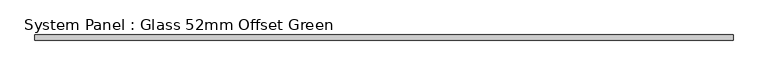
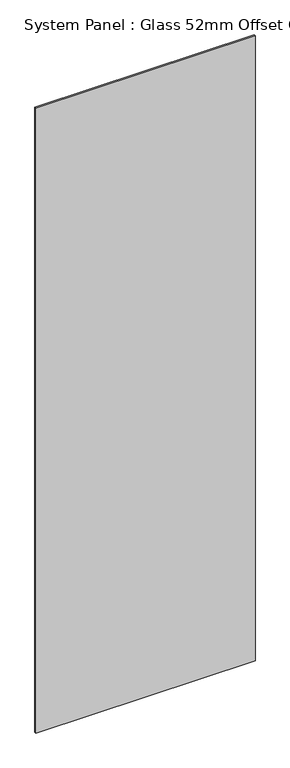
"""IFC4 building model written with IfcOpenShell, lengths in millimetres: plate geometry, System Panel : Glass 52mm Offset Green."""

from ifc_helpers import new_model, si_unit, origin, origin_with_axes, place, context, project, spatial, polyline, outline, extrude, source, transform, mapped, element, save


def system_panel_glass_52mm_offset_green_2814b2a7(model_context):
    return source(origin(), model_context, "Body", "SweptSolid", [
        extrude(outline(polyline([(642.2127009, -57.0), (-642.2127009, -57.0), (-642.2127009, -47.0), (642.2127009, -47.0), (642.2127009, -57.0)])), origin_with_axes(), (0.0, 0.0, 1.0), 3870.5),
    ])


if __name__ == "__main__":
    model = new_model("IFC4")
    model_context = context("Model", 3, world=origin())
    ifc_project = project(units=[si_unit("LENGTHUNIT", "METRE", prefix="MILLI")], contexts=[model_context])
    site = spatial("IfcSite", under=ifc_project)
    building = spatial("IfcBuilding", under=site)
    placement = place(None, origin())
    system_panel_glass_52mm_offset_green_shape = system_panel_glass_52mm_offset_green_2814b2a7(model_context)
    element("IfcPlate", 1, ObjectType="System Panel : Glass 52mm Offset Green", at=placement, inside=building, context=model_context, shape_type="MappedRepresentation", body=[
        mapped(system_panel_glass_52mm_offset_green_shape, transform((0.0, 0.0, 0.0), x_axis=(1.0, 0.0, 0.0), y_axis=(0.0, 1.0, 0.0), z_axis=(0.0, 0.0, 1.0))),
    ])
    save(model, "model.ifc")
